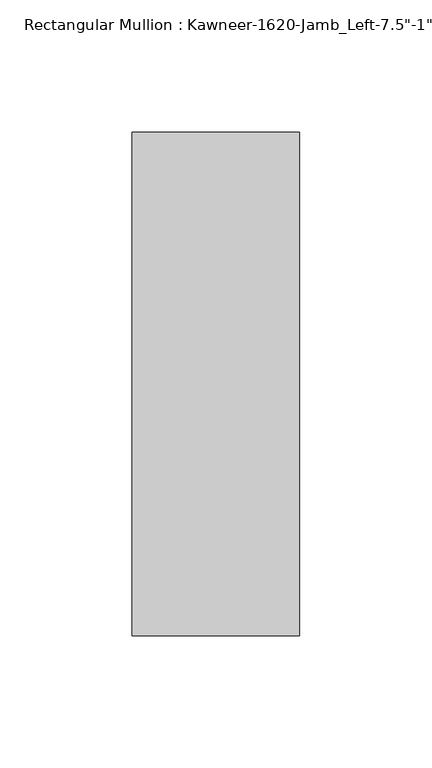
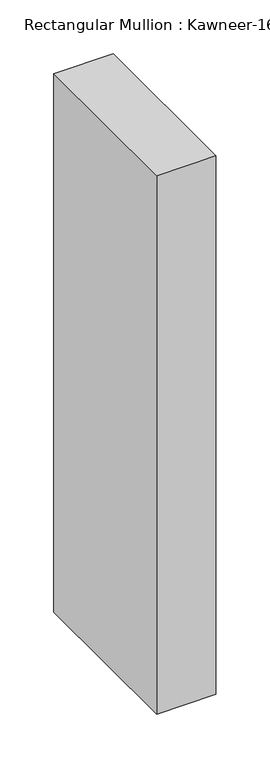
"""IFC4 building model written with IfcOpenShell, lengths in millimetres: member geometry."""

from ifc_helpers import new_model, si_unit, frame, origin, place, context, project, spatial, polyline, outline, extrude, source, transform, mapped, element, save


def member_063962fe(model_context):
    return source(origin(), model_context, "Body", "SweptSolid", [
        extrude(outline(polyline([(-63.5, 38.1), (0.0, 38.1), (0.0, -152.4), (-63.5, -152.4), (-63.5, 38.1)])), frame((0.0, 0.0, -609.6), z_axis=(0.0, 0.0, 1.0), x_axis=(1.0, 0.0, 0.0)), (0.0, 0.0, 1.0), 609.6),
    ])


if __name__ == "__main__":
    model = new_model("IFC4")
    model_context = context("Model", 3, world=origin())
    ifc_project = project(units=[si_unit("LENGTHUNIT", "METRE", prefix="MILLI")], contexts=[model_context])
    site = spatial("IfcSite", under=ifc_project)
    building = spatial("IfcBuilding", under=site)
    placement = place(None, origin())
    member_shape = member_063962fe(model_context)
    element("IfcMember", 1, ObjectType="Rectangular Mullion : Kawneer-1620-Jamb_Left-7.5\"-1\"Infill", at=placement, inside=building, context=model_context, shape_type="MappedRepresentation", body=[
        mapped(member_shape, transform((0.0, 0.0, 0.0), x_axis=(1.0, 0.0, 0.0), y_axis=(0.0, 1.0, 0.0), z_axis=(0.0, 0.0, 1.0))),
    ])
    save(model, "model.ifc")
